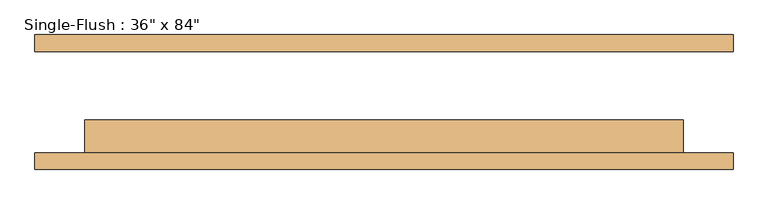
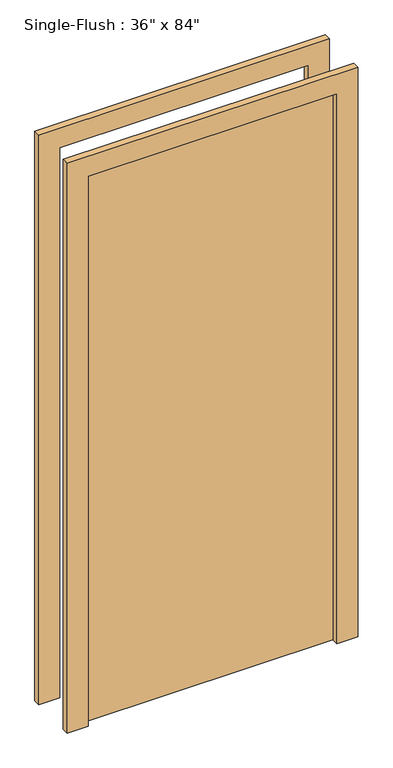
"""IFC4 building model written with IfcOpenShell, lengths in millimetres: door geometry."""

from ifc_helpers import new_model, si_unit, frame, origin, origin_with_axes, place, context, project, spatial, polyline, outline, extrude, source, transform, mapped, element, save


def door_0f164b8f(model_context):
    return source(origin(), model_context, "Body", "SweptSolid", [
        extrude(outline(polyline([(2209.8, -533.4), (0.0, -533.4), (0.0, -457.2), (2133.6, -457.2), (2133.6, 457.2), (0.0, 457.2), (0.0, 533.4), (2209.8, 533.4), (2209.8, -533.4)])), frame((0.0, -103.1875, 0.0), z_axis=(0.0, 1.0, 0.0), x_axis=(0.0, 0.0, 1.0)), (0.0, 0.0, 1.0), 25.4),
        extrude(outline(polyline([(2209.8, 533.4), (2209.8, -533.4), (0.0, -533.4), (0.0, -457.2), (2133.6, -457.2), (2133.6, 457.2), (0.0, 457.2), (0.0, 533.4), (2209.8, 533.4)])), frame((0.0, 77.7875, 0.0), z_axis=(0.0, 1.0, 0.0), x_axis=(0.0, 0.0, 1.0)), (0.0, 0.0, 1.0), 25.4),
        extrude(outline(polyline([(457.2, -26.9875), (457.2, -77.7875), (-457.2, -77.7875), (-457.2, -26.9875), (457.2, -26.9875)])), origin_with_axes(), (0.0, 0.0, 1.0), 2133.6),
    ])


if __name__ == "__main__":
    model = new_model("IFC4")
    model_context = context("Model", 3, world=origin())
    ifc_project = project(units=[si_unit("LENGTHUNIT", "METRE", prefix="MILLI")], contexts=[model_context])
    site = spatial("IfcSite", under=ifc_project)
    building = spatial("IfcBuilding", under=site)
    placement = place(None, origin())
    door_shape = door_0f164b8f(model_context)
    element("IfcDoor", 1, ObjectType="Single-Flush : 36\" x 84\"", at=placement, inside=building, context=model_context, shape_type="MappedRepresentation", body=[
        mapped(door_shape, transform((0.0, 0.0, 0.0), x_axis=(1.0, 0.0, 0.0), y_axis=(0.0, 1.0, 0.0), z_axis=(0.0, 0.0, 1.0))),
    ])
    save(model, "model.ifc")
